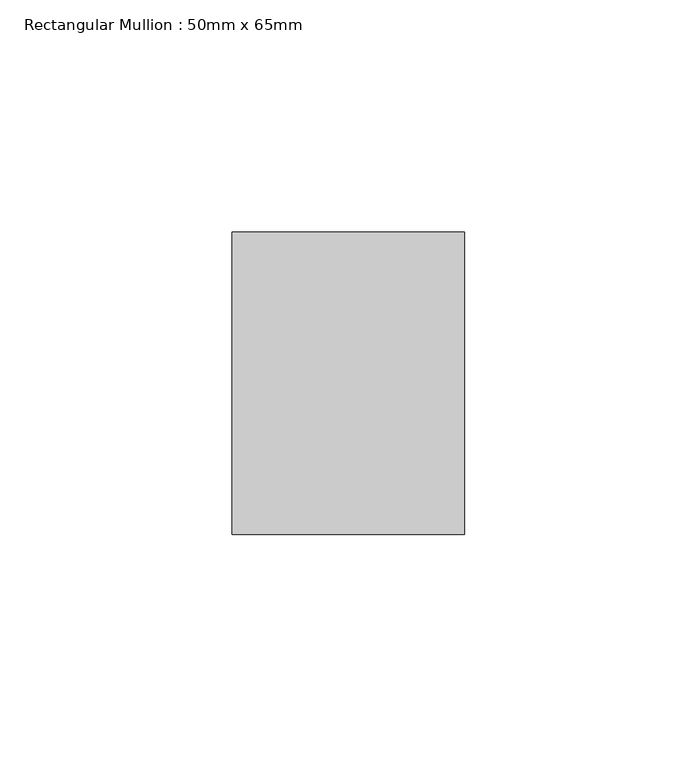
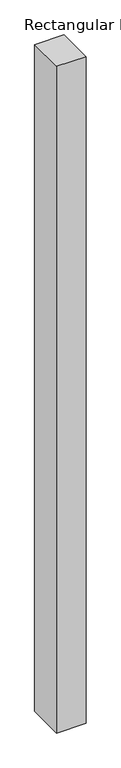
"""IFC4 building model written with IfcOpenShell, lengths in millimetres: member geometry, Rectangular Mullion : 50mm x 65mm."""

from ifc_helpers import new_model, si_unit, frame, origin, place, context, project, spatial, polyline, outline, extrude, source, transform, mapped, element, save


def rectangular_mullion_50mm_x_65mm_3a4a0305(model_context):
    return source(origin(), model_context, "Body", "SweptSolid", [
        extrude(outline(polyline([(25.0, 32.5), (25.0, -32.5), (-25.0, -32.5), (-25.0, 32.5), (25.0, 32.5)])), frame((0.0, 0.0, -1205.1797387), z_axis=(0.0, 0.0, 1.0), x_axis=(1.0, 0.0, 0.0)), (0.0, 0.0, 1.0), 1205.1797387),
    ])


if __name__ == "__main__":
    model = new_model("IFC4")
    model_context = context("Model", 3, world=origin())
    ifc_project = project(units=[si_unit("LENGTHUNIT", "METRE", prefix="MILLI")], contexts=[model_context])
    site = spatial("IfcSite", under=ifc_project)
    building = spatial("IfcBuilding", under=site)
    placement = place(None, origin())
    rectangular_mullion_50mm_x_65mm_shape = rectangular_mullion_50mm_x_65mm_3a4a0305(model_context)
    element("IfcMember", 1, ObjectType="Rectangular Mullion : 50mm x 65mm", at=placement, inside=building, context=model_context, shape_type="MappedRepresentation", body=[
        mapped(rectangular_mullion_50mm_x_65mm_shape, transform((0.0, 0.0, 0.0), x_axis=(1.0, 0.0, 0.0), y_axis=(0.0, 1.0, 0.0), z_axis=(0.0, 0.0, 1.0))),
    ])
    save(model, "model.ifc")
